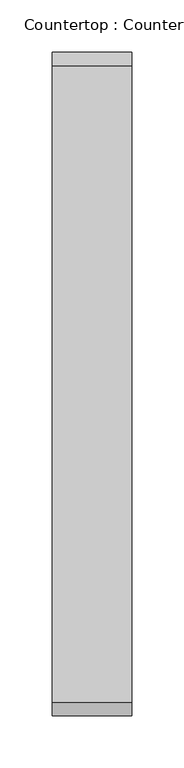
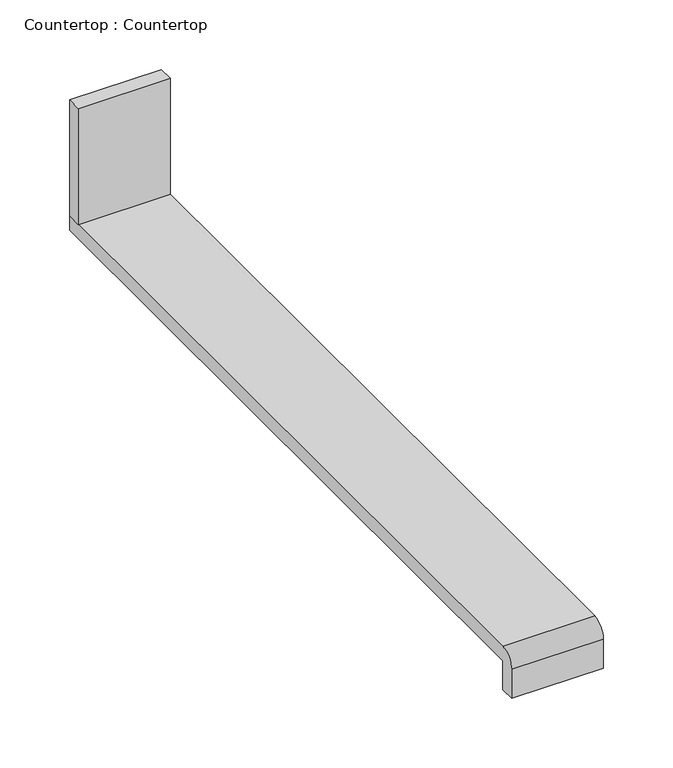
"""IFC4 building model written with IfcOpenShell, lengths in millimetres: proxy geometry, Countertop : Countertop."""

from ifc_helpers import new_model, si_unit, point, frame, frame_2d, origin, place, context, project, spatial, polyline, circle_curve, trimmed, segment, composite_curve, outline, extrude, source, transform, mapped, element, save


def countertop_countertop_99b290ff(model_context):
    return source(origin(), model_context, "Body", "SweptSolid", [
        extrude(outline(polyline([(76.0977441, 0.0), (76.0977441, -12.7), (0.0, -12.7), (0.0, 0.0), (76.0977441, 0.0)])), frame((0.0, 0.0, 863.6), z_axis=(0.0, 0.0, 1.0), x_axis=(1.0, 0.0, 0.0)), (0.0, 0.0, 1.0), 101.6),
        extrude(outline(composite_curve([segment(polyline([(-622.3, 863.6), (0.0, 863.6), (0.0, 850.9), (-622.3, 850.9), (-622.3, 825.5), (-635.0, 825.5), (-635.0, 850.9)]), True, "CONTINUOUS"), segment(trimmed(circle_curve(frame_2d((-622.3, 850.9)), 12.7), [point((-635.0, 850.9))], [point((-622.3, 863.6))], False, "CARTESIAN"), True, "CONTINUOUS")], self_intersect=False)), frame((0.0, 0.0, 0.0), z_axis=(1.0, 0.0, 0.0), x_axis=(0.0, 1.0, 0.0)), (0.0, 0.0, 1.0), 76.0977441),
    ])


if __name__ == "__main__":
    model = new_model("IFC4")
    model_context = context("Model", 3, world=origin())
    ifc_project = project(units=[si_unit("LENGTHUNIT", "METRE", prefix="MILLI")], contexts=[model_context])
    site = spatial("IfcSite", under=ifc_project)
    building = spatial("IfcBuilding", under=site)
    placement = place(None, origin())
    countertop_countertop_shape = countertop_countertop_99b290ff(model_context)
    element("IfcBuildingElementProxy", 1, Name="Countertop : Countertop", ObjectType="Countertop : Countertop", at=placement, inside=building, context=model_context, shape_type="MappedRepresentation", body=[
        mapped(countertop_countertop_shape, transform((0.0, 0.0, 0.0), x_axis=(1.0, 0.0, 0.0), y_axis=(0.0, 1.0, 0.0), z_axis=(0.0, 0.0, 1.0))),
    ])
    save(model, "model.ifc")
